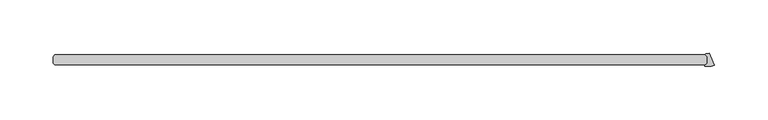
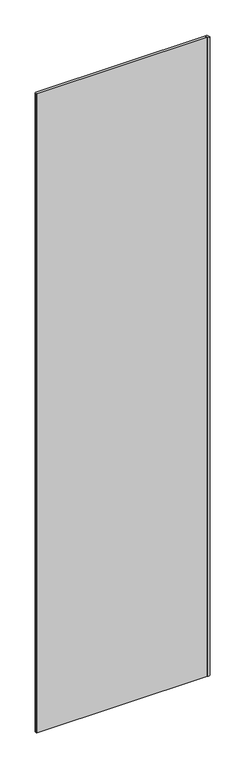
"""IFC4 building model written with IfcOpenShell, lengths in millimetres: plate geometry."""

from ifc_helpers import new_model, si_unit, point, frame_2d, origin, origin_with_axes, place, context, project, spatial, polyline, circle_curve, trimmed, segment, composite_curve, outline, extrude, source, transform, mapped, element, save


def plate_0459a0e1(model_context):
    return source(origin(), model_context, "Body", "SweptSolid", [
        extrude(outline(composite_curve([segment(trimmed(circle_curve(frame_2d((300.4755618, 41.7299885)), 17.6705863), [point((306.6725389, 25.1816625))], [point((297.9925665, 24.2347219))], False, "CARTESIAN"), True, "CONTINUOUS"), segment(trimmed(circle_curve(frame_2d((298.0483337, 24.6276593)), 0.396875), [point((297.9925665, 24.2347219))], [point((297.7677007, 24.9082923))], False, "CARTESIAN"), True, "CONTINUOUS"), segment(polyline([(297.7677007, 24.9082923), (299.8469084, 26.9875), (299.8469084, 33.3375), (298.1404415, 35.0439669)]), True, "CONTINUOUS"), segment(trimmed(circle_curve(frame_2d((298.4210745, 35.3246)), 0.396875), [point((298.1404415, 35.0439669))], [point((298.4129947, 35.7213927))], False, "CARTESIAN"), True, "CONTINUOUS"), segment(trimmed(circle_curve(frame_2d((298.2456736, 43.938415)), 8.2187257), [point((298.4129947, 35.7213927))], [point((301.9435056, 36.5985587))], True, "CARTESIAN"), True, "CONTINUOUS"), segment(polyline([(301.9435056, 36.5985587), (306.6725389, 25.1816625)]), True, "CONTINUOUS")], self_intersect=False)), origin_with_axes(), (0.0, 0.0, 1.0), 2428.7789267),
        extrude(outline(polyline([(298.2594084, 25.4), (-315.515625, 25.4), (-317.103125, 26.9875), (-317.103125, 33.3375), (-315.515625, 34.925), (298.2594084, 34.925), (299.8469084, 33.3375), (299.8469084, 26.9875), (298.2594084, 25.4)])), origin_with_axes(), (0.0, 0.0, 1.0), 2428.7789267),
    ])


if __name__ == "__main__":
    model = new_model("IFC4")
    model_context = context("Model", 3, world=origin())
    ifc_project = project(units=[si_unit("LENGTHUNIT", "METRE", prefix="MILLI")], contexts=[model_context])
    site = spatial("IfcSite", under=ifc_project)
    building = spatial("IfcBuilding", under=site)
    placement = place(None, origin())
    plate_shape = plate_0459a0e1(model_context)
    element("IfcPlate", 1, at=placement, inside=building, context=model_context, shape_type="MappedRepresentation", body=[
        mapped(plate_shape, transform((0.0, 0.0, 0.0), x_axis=(1.0, 0.0, 0.0), y_axis=(0.0, 1.0, 0.0), z_axis=(0.0, 0.0, 1.0))),
    ])
    save(model, "model.ifc")
